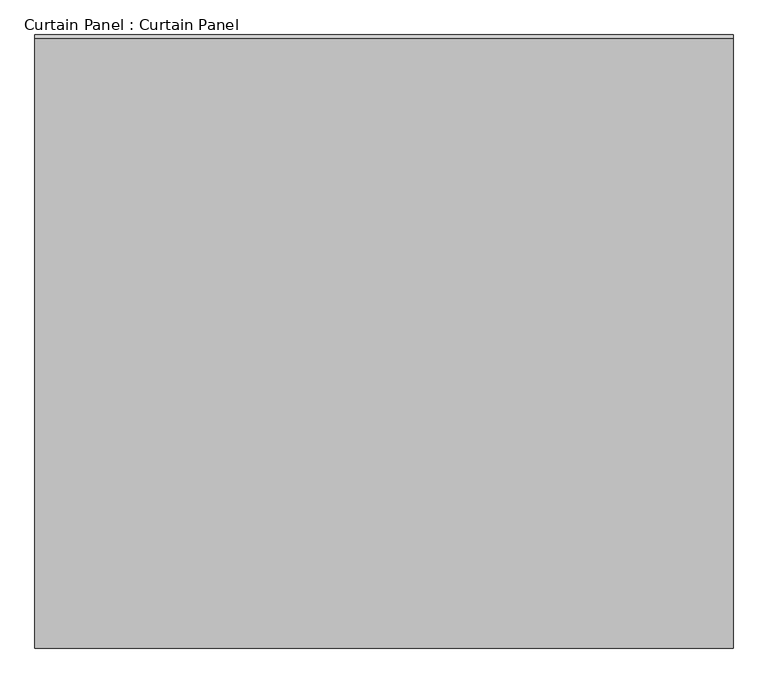
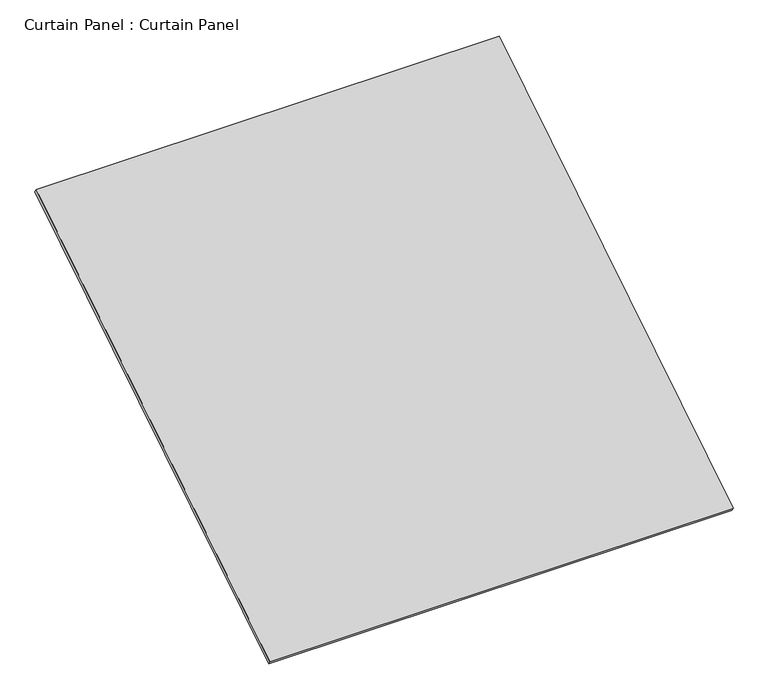
"""IFC4 building model written with IfcOpenShell, lengths in millimetres: plate geometry, Curtain Panel : Curtain Panel."""

from ifc_helpers import new_model, si_unit, frame, origin, place, context, project, spatial, polyline, outline, extrude, source, transform, mapped, element, save


def curtain_panel_curtain_panel_49668008(model_context):
    return source(origin(), model_context, "Body", "SweptSolid", [
        extrude(outline(polyline([(-63.5, 0.0), (-63.5, -3013.0353917), (-2984.6077868, -3013.0353917), (-2984.6077868, 0.0), (-63.5, 0.0)])), frame((-114622.6430895, 1236.3098934, 10424.4253078), z_axis=(0.0, -0.5318918435658209, 0.8468122972348432), x_axis=(-1.0, 0.0, 0.0)), (0.0, 0.0, 1.0), 25.4),
    ])


if __name__ == "__main__":
    model = new_model("IFC4")
    model_context = context("Model", 3, world=origin())
    ifc_project = project(units=[si_unit("LENGTHUNIT", "METRE", prefix="MILLI")], contexts=[model_context])
    site = spatial("IfcSite", under=ifc_project)
    building = spatial("IfcBuilding", under=site)
    placement = place(None, origin())
    curtain_panel_curtain_panel_shape = curtain_panel_curtain_panel_49668008(model_context)
    element("IfcPlate", 1, ObjectType="Curtain Panel : Curtain Panel", at=placement, inside=building, context=model_context, shape_type="MappedRepresentation", body=[
        mapped(curtain_panel_curtain_panel_shape, transform((0.0, 0.0, 0.0), x_axis=(1.0, 0.0, 0.0), y_axis=(0.0, 1.0, 0.0), z_axis=(0.0, 0.0, 1.0))),
    ])
    save(model, "model.ifc")
